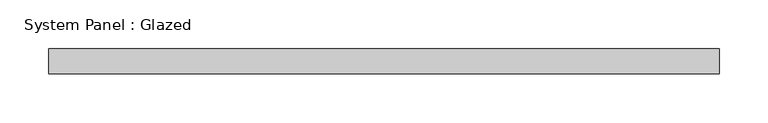
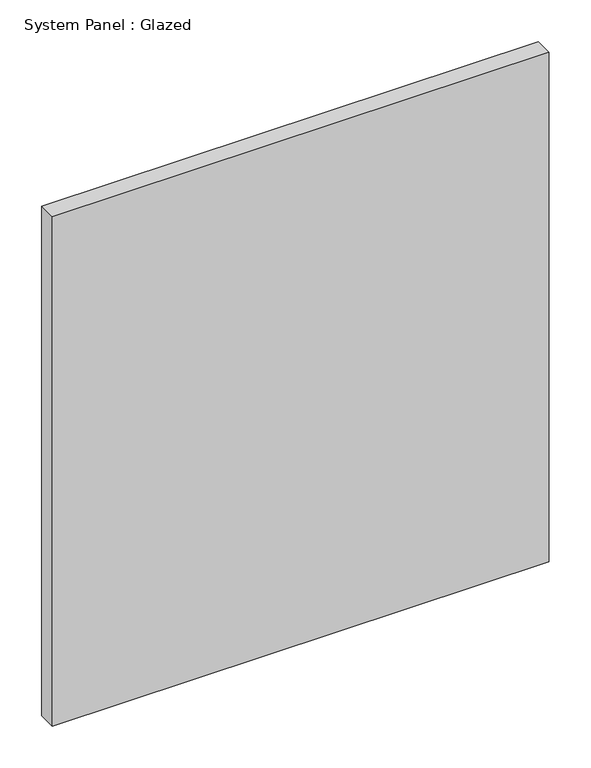
"""IFC4 building model written with IfcOpenShell, lengths in millimetres: plate geometry, System Panel : Glazed."""

import ifcopenshell
import ifcopenshell.guid

model = None  # the IFC model being written
_history = None  # IfcOwnerHistory: only IFC2X3 demands one
_inside = {}  # id of a spatial element -> (the spatial element, [elements in it])
_under = {}  # id of a project, library or spatial element -> (it, [spatial elements below it])
_declared = {}  # id of a project -> (the project, [libraries it declares])
_typed = {}  # id of a type object -> (the type object, [elements of that type])
_made_of = {}  # id of a material, layer set ... -> (it, [elements and type objects made of it])


def new_model(schema):
    """Start an empty IFC model of exactly this schema.

    Asked for "IFC4X3", IfcOpenShell would pick the latest addendum, in which some entities
    have other attributes; the version numbers below select the first issue.
    IFC2X3 requires an IfcOwnerHistory on every rooted entity: one is made here for all.
    """
    global model, _history
    if schema == "IFC4X3":
        model = ifcopenshell.file(schema_version=(4, 3, 0, 0))
    else:
        model = ifcopenshell.file(schema=schema)
    _inside.clear()
    _under.clear()
    _declared.clear()
    _typed.clear()
    _made_of.clear()
    _history = None
    if model.schema == "IFC2X3":
        org = make("IfcOrganization", Name="unknown")
        user = make(
            "IfcPersonAndOrganization",
            ThePerson=make("IfcPerson", FamilyName="unknown"),
            TheOrganization=org,
        )
        app = make(
            "IfcApplication",
            ApplicationDeveloper=org,
            Version="unknown",
            ApplicationFullName="unknown",
            ApplicationIdentifier="unknown",
        )
        _history = make(
            "IfcOwnerHistory",
            OwningUser=user,
            OwningApplication=app,
            ChangeAction="ADDED",
            CreationDate=0,
        )
    return model


def make(cls, **values):
    """One entity of the class cls with the attributes given. An attribute that is None is left unset."""
    return model.create_entity(
        cls, **{name: value for name, value in values.items() if value is not None}
    )


def rooted(cls, **values):
    """An entity with a GlobalId (a new one), such as an element, a storey or a relation."""
    return make(cls, GlobalId=ifcopenshell.guid.new(), OwnerHistory=_history, **values)


def si_unit(unit_type, name, prefix=None):
    """IfcSIUnit, for example si_unit("LENGTHUNIT", "METRE", prefix="MILLI")."""
    return make("IfcSIUnit", UnitType=unit_type, Prefix=prefix, Name=name)


def assignment(units):
    """IfcUnitAssignment: the units of a project."""
    return None if units is None else make("IfcUnitAssignment", Units=units)


def point(xyz):
    """IfcCartesianPoint."""
    return None if xyz is None else make("IfcCartesianPoint", Coordinates=xyz)


def direction(xyz):
    """IfcDirection."""
    return None if xyz is None else make("IfcDirection", DirectionRatios=xyz)


def frame(location, z_axis=None, x_axis=None):
    """IfcAxis2Placement3D, a coordinate frame: its origin and axes. An axis left out is left unset."""
    return make(
        "IfcAxis2Placement3D",
        Location=point(location),
        Axis=direction(z_axis),
        RefDirection=direction(x_axis),
    )


def origin():
    """The frame at (0, 0, 0) with its axes left unset."""
    return frame((0.0, 0.0, 0.0))


def origin_with_axes():
    """The frame at (0, 0, 0) with the z axis (0, 0, 1) and the x axis (1, 0, 0) written out."""
    return frame((0.0, 0.0, 0.0), z_axis=(0.0, 0.0, 1.0), x_axis=(1.0, 0.0, 0.0))


def place(relative_to, where):
    """IfcLocalPlacement: puts the frame where relative to a parent placement (None: the world)."""
    return make(
        "IfcLocalPlacement", PlacementRelTo=relative_to, RelativePlacement=where
    )


def context(
    kind, dimensions, precision=None, world=None, true_north=None, identifier=None
):
    """IfcGeometricRepresentationContext, for example the 3D "Model" context."""
    return make(
        "IfcGeometricRepresentationContext",
        ContextIdentifier=identifier,
        ContextType=kind,
        CoordinateSpaceDimension=dimensions,
        Precision=precision,
        WorldCoordinateSystem=world,
        TrueNorth=true_north,
    )


def project(units=None, contexts=None):
    """IfcProject with its units and contexts."""
    return rooted(
        "IfcProject",
        Name="project",
        RepresentationContexts=contexts,
        UnitsInContext=assignment(units),
    )


def spatial(cls, under=None, at=None, **own):
    """A site, building, storey or space (cls), placed at a placement, below another one or the project."""
    s = rooted(cls, ObjectPlacement=at, **own)
    if under is not None:
        _under.setdefault(under.id(), (under, []))[1].append(s)
    return s


def polyline(points):
    """IfcPolyline through the points."""
    return make("IfcPolyline", Points=[point(p) for p in points])


def outline(outer, holes=None, kind="AREA"):
    """IfcArbitraryClosedProfileDef: a profile drawn as a closed curve; with holes, ...WithVoids."""
    if holes is None:
        return make("IfcArbitraryClosedProfileDef", ProfileType=kind, OuterCurve=outer)
    return make(
        "IfcArbitraryProfileDefWithVoids",
        ProfileType=kind,
        OuterCurve=outer,
        InnerCurves=holes,
    )


def extrude(swept, where, along, depth):
    """IfcExtrudedAreaSolid: the profile swept, set in the frame where, extruded along a direction by depth."""
    return make(
        "IfcExtrudedAreaSolid",
        SweptArea=swept,
        Position=where,
        ExtrudedDirection=direction(along),
        Depth=depth,
    )


def shape(context_of_items, identifier, shape_type, items):
    """IfcShapeRepresentation: the items that make up one representation, for example the "Body"."""
    return make(
        "IfcShapeRepresentation",
        ContextOfItems=context_of_items,
        RepresentationIdentifier=identifier,
        RepresentationType=shape_type,
        Items=items,
    )


def source(mapping_origin, context_of_items, identifier, shape_type, items):
    """IfcRepresentationMap: a shape defined once, which mapped items show again and again."""
    return make(
        "IfcRepresentationMap",
        MappingOrigin=mapping_origin,
        MappedRepresentation=shape(context_of_items, identifier, shape_type, items),
    )


def transform(
    local_origin,
    x_axis=None,
    y_axis=None,
    z_axis=None,
    scale=None,
    scale2=None,
    scale3=None,
    uniform=True,
):
    """IfcCartesianTransformationOperator3D, or its non-uniform kind. x_axis, y_axis, z_axis: its Axis1, 2, 3."""
    if uniform:
        return make(
            "IfcCartesianTransformationOperator3D",
            Axis1=direction(x_axis),
            Axis2=direction(y_axis),
            LocalOrigin=point(local_origin),
            Scale=scale,
            Axis3=direction(z_axis),
        )
    return make(
        "IfcCartesianTransformationOperator3DnonUniform",
        Axis1=direction(x_axis),
        Axis2=direction(y_axis),
        LocalOrigin=point(local_origin),
        Scale=scale,
        Axis3=direction(z_axis),
        Scale2=scale2,
        Scale3=scale3,
    )


def mapped(mapping_source, mapping_target):
    """IfcMappedItem: shows the shape of a source again, moved by a transform."""
    return make(
        "IfcMappedItem", MappingSource=mapping_source, MappingTarget=mapping_target
    )


def made_of(thing, what):
    """Note that an element or type object is made of a material, layer set ...; save() writes the relation."""
    if what is not None:
        _made_of.setdefault(what.id(), (what, []))[1].append(thing)
    return thing


def element(
    cls,
    number,
    at=None,
    inside=None,
    cuts=None,
    type_object=None,
    material=None,
    context=None,
    identifier="Body",
    shape_type=None,
    held_by="IfcProductDefinitionShape",
    body=None,
    shapes=None,
    **own,
):
    """One element of the class cls, such as IfcWall. Its Tag is "e" and its number.

    at: its placement. inside: the storey or other place that contains it. cuts: it is an
    opening in that element (IfcRelVoidsElement). A single representation is given by context,
    identifier, shape_type and body (its items); several are given by shapes. held_by: the class
    of the entity that holds the representations. save() writes the other relations.
    """
    e = rooted(cls, Tag="e%d" % number, ObjectPlacement=at, **own)
    if body is not None:
        shapes = [shape(context, identifier, shape_type, body)]
    if shapes is not None:
        e.Representation = make(held_by, Representations=shapes)
    if inside is not None:
        _inside.setdefault(inside.id(), (inside, []))[1].append(e)
    if cuts is not None:
        rooted(
            "IfcRelVoidsElement", RelatingBuildingElement=cuts, RelatedOpeningElement=e
        )
    if type_object is not None:
        _typed.setdefault(type_object.id(), (type_object, []))[1].append(e)
    return made_of(e, material)


def aggregate(whole, parts):
    """IfcRelAggregates: a whole, such as a stair, and the parts it consists of."""
    return rooted("IfcRelAggregates", RelatingObject=whole, RelatedObjects=parts)


def save(model, path):
    """Write the relations noted so far, then the file.

    IfcRelAggregates (storeys below a building ...), IfcRelContainedInSpatialStructure (elements
    in a storey), IfcRelDefinesByType, IfcRelAssociatesMaterial and IfcRelDeclares: one each for
    every whole, place, type object, material and project.
    """
    for whole, parts in _under.values():
        aggregate(whole, parts)
    for where, things in _inside.values():
        rooted(
            "IfcRelContainedInSpatialStructure",
            RelatedElements=things,
            RelatingStructure=where,
        )
    for kind, things in _typed.values():
        rooted("IfcRelDefinesByType", RelatedObjects=things, RelatingType=kind)
    for what, things in _made_of.values():
        rooted("IfcRelAssociatesMaterial", RelatedObjects=things, RelatingMaterial=what)
    for by, libraries in _declared.values():
        rooted("IfcRelDeclares", RelatingContext=by, RelatedDefinitions=libraries)
    model.write(path)


def system_panel_glazed_dbd1a99b(model_context):
    return source(origin(), model_context, "Body", "SweptSolid", [
        extrude(outline(polyline([(342.9, 19.05), (-342.9, 19.05), (-342.9, 44.45), (342.9, 44.45), (342.9, 19.05)])), origin_with_axes(), (0.0, 0.0, 1.0), 742.95),
    ])


if __name__ == "__main__":
    model = new_model("IFC4")
    model_context = context("Model", 3, world=origin())
    ifc_project = project(units=[si_unit("LENGTHUNIT", "METRE", prefix="MILLI")], contexts=[model_context])
    site = spatial("IfcSite", under=ifc_project)
    building = spatial("IfcBuilding", under=site)
    placement = place(None, origin())
    system_panel_glazed_shape = system_panel_glazed_dbd1a99b(model_context)
    element("IfcPlate", 1, ObjectType="System Panel : Glazed", at=placement, inside=building, context=model_context, shape_type="MappedRepresentation", body=[
        mapped(system_panel_glazed_shape, transform((0.0, 0.0, 0.0), x_axis=(1.0, 0.0, 0.0), y_axis=(0.0, 1.0, 0.0), z_axis=(0.0, 0.0, 1.0))),
    ])
    save(model, "model.ifc")
